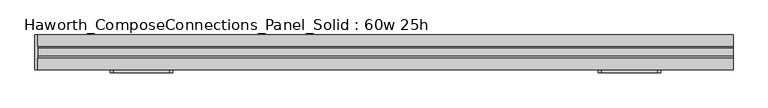
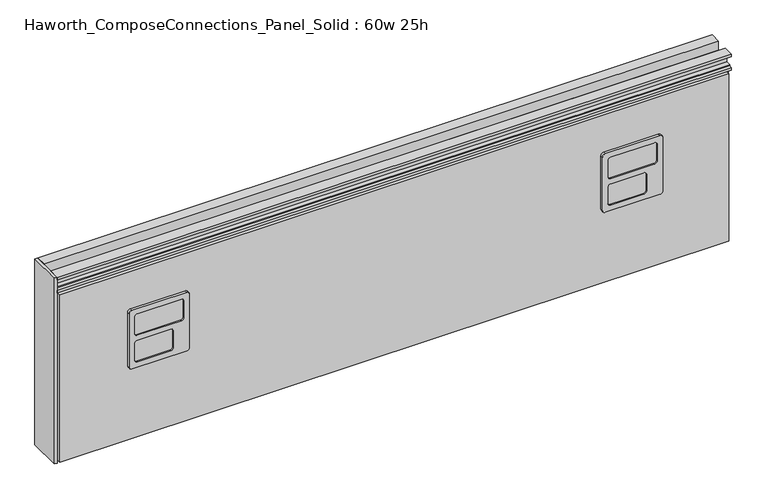
"""IFC4 building model written with IfcOpenShell, lengths in millimetres: furniture geometry, Haworth_ComposeConnections_Panel_Solid : 60w 25h."""

from ifc_helpers import new_model, si_unit, frame, origin, place, context, project, spatial, polyline, circle_curve, outline, extrude, source, transform, mapped, element, save
from ifc_brep_helpers import plane_surface, cylinder_surface, revolved_surface, advanced_brep


def haworth_composeconnections_panel_solid_60w_25h_285009e4(model_context):
    return source(origin(), model_context, "Body", "SolidModel", [
        advanced_brep(
        [(-594.4597098, -38.1, 546.1), (-470.6347098, -38.1, 546.1), (-464.2847098, -38.1, 539.75), (-464.2847098, -38.1, 412.75), (-470.6347098, -38.1, 406.4), (-594.4597098, -38.1, 406.4), (-600.8097098, -38.1, 412.75), (-600.8097098, -38.1, 539.75), (-594.4597098, -44.45, 546.1), (-600.8097098, -44.45, 539.75), (-600.8097098, -44.45, 412.75), (-594.4597098, -44.45, 406.4), (-470.6347098, -44.45, 406.4), (-464.2847098, -44.45, 412.75), (-464.2847098, -44.45, 539.75), (-470.6347098, -44.45, 546.1), (-581.7597098, -44.45, 533.4), (-483.3347098, -44.45, 533.4), (-476.9847098, -44.45, 527.05), (-476.9847098, -44.45, 488.95), (-483.3347098, -44.45, 482.6), (-581.7597098, -44.45, 482.6), (-588.1097098, -44.45, 488.95), (-588.1097098, -44.45, 527.05), (-581.7597098, -44.45, 469.9), (-507.1472098, -44.45, 469.9), (-500.7972098, -44.45, 463.55), (-500.7972098, -44.45, 425.45), (-507.1472098, -44.45, 419.1), (-581.7597098, -44.45, 419.1), (-588.1097098, -44.45, 425.45), (-588.1097098, -44.45, 463.55), (-581.7597098, -41.275, 533.4), (-588.1097098, -41.275, 527.05), (-588.1097098, -41.275, 488.95), (-581.7597098, -41.275, 482.6), (-483.3347098, -41.275, 482.6), (-476.9847098, -41.275, 488.95), (-476.9847098, -41.275, 527.05), (-483.3347098, -41.275, 533.4), (-581.7597098, -41.275, 469.9), (-588.1097098, -41.275, 463.55), (-588.1097098, -41.275, 425.45), (-581.7597098, -41.275, 419.1), (-507.1472098, -41.275, 419.1), (-500.7972098, -41.275, 425.45), (-500.7972098, -41.275, 463.55), (-507.1472098, -41.275, 469.9)],
        [
            (0, 1),
            (1, 2, circle_curve(frame((-470.6347098, -38.1, 539.75), z_axis=(0.0, 1.0, 0.0), x_axis=(1.0, 0.0, 0.0)), 6.35)),
            (2, 3),
            (3, 4, circle_curve(frame((-470.6347098, -38.1, 412.75), z_axis=(0.0, 1.0, 0.0), x_axis=(1.0, 0.0, 0.0)), 6.35)),
            (4, 5),
            (5, 6, circle_curve(frame((-594.4597098, -38.1, 412.75), z_axis=(0.0, 1.0, 0.0), x_axis=(1.0, 0.0, 0.0)), 6.35)),
            (6, 7),
            (7, 0, circle_curve(frame((-594.4597098, -38.1, 539.75), z_axis=(0.0, 1.0, 0.0), x_axis=(1.0, 0.0, 0.0)), 6.35)),
            (8, 9, circle_curve(frame((-594.4597098, -44.45, 539.75), z_axis=(0.0, -1.0, 0.0), x_axis=(1.0, 0.0, 0.0)), 6.35)),
            (9, 10),
            (10, 11, circle_curve(frame((-594.4597098, -44.45, 412.75), z_axis=(0.0, -1.0, 0.0), x_axis=(1.0, 0.0, 0.0)), 6.35)),
            (11, 12),
            (12, 13, circle_curve(frame((-470.6347098, -44.45, 412.75), z_axis=(0.0, -1.0, 0.0), x_axis=(1.0, 0.0, 0.0)), 6.35)),
            (13, 14),
            (14, 15, circle_curve(frame((-470.6347098, -44.45, 539.75), z_axis=(0.0, -1.0, 0.0), x_axis=(1.0, 0.0, 0.0)), 6.35)),
            (15, 8),
            (16, 17),
            (17, 18, circle_curve(frame((-483.3347098, -44.45, 527.05), z_axis=(0.0, 1.0, 0.0), x_axis=(1.0, 0.0, 0.0)), 6.35)),
            (18, 19),
            (19, 20, circle_curve(frame((-483.3347098, -44.45, 488.95), z_axis=(0.0, 1.0, 0.0), x_axis=(1.0, 0.0, 0.0)), 6.35)),
            (20, 21),
            (21, 22, circle_curve(frame((-581.7597098, -44.45, 488.95), z_axis=(0.0, 1.0, 0.0), x_axis=(1.0, 0.0, 0.0)), 6.35)),
            (22, 23),
            (23, 16, circle_curve(frame((-581.7597098, -44.45, 527.05), z_axis=(0.0, 1.0, 0.0), x_axis=(1.0, 0.0, 0.0)), 6.35)),
            (24, 25),
            (25, 26, circle_curve(frame((-507.1472098, -44.45, 463.55), z_axis=(0.0, 1.0, 0.0), x_axis=(1.0, 0.0, 0.0)), 6.35)),
            (26, 27),
            (27, 28, circle_curve(frame((-507.1472098, -44.45, 425.45), z_axis=(0.0, 1.0, 0.0), x_axis=(1.0, 0.0, 0.0)), 6.35)),
            (28, 29),
            (29, 30, circle_curve(frame((-581.7597098, -44.45, 425.45), z_axis=(0.0, 1.0, 0.0), x_axis=(1.0, 0.0, 0.0)), 6.35)),
            (30, 31),
            (31, 24, circle_curve(frame((-581.7597098, -44.45, 463.55), z_axis=(0.0, 1.0, 0.0), x_axis=(1.0, 0.0, 0.0)), 6.35)),
            (7, 9),
            (8, 0),
            (6, 10),
            (5, 11),
            (4, 12),
            (3, 13),
            (2, 14),
            (1, 15),
            (32, 33, circle_curve(frame((-581.7597098, -41.275, 527.05), z_axis=(0.0, -1.0, 0.0), x_axis=(1.0, 0.0, 0.0)), 6.35)),
            (33, 34),
            (34, 35, circle_curve(frame((-581.7597098, -41.275, 488.95), z_axis=(0.0, -1.0, 0.0), x_axis=(1.0, 0.0, 0.0)), 6.35)),
            (35, 36),
            (36, 37, circle_curve(frame((-483.3347098, -41.275, 488.95), z_axis=(0.0, -1.0, 0.0), x_axis=(1.0, 0.0, 0.0)), 6.35)),
            (37, 38),
            (38, 39, circle_curve(frame((-483.3347098, -41.275, 527.05), z_axis=(0.0, -1.0, 0.0), x_axis=(1.0, 0.0, 0.0)), 6.35)),
            (39, 32),
            (40, 41, circle_curve(frame((-581.7597098, -41.275, 463.55), z_axis=(0.0, -1.0, 0.0), x_axis=(1.0, 0.0, 0.0)), 6.35)),
            (41, 42),
            (42, 43, circle_curve(frame((-581.7597098, -41.275, 425.45), z_axis=(0.0, -1.0, 0.0), x_axis=(1.0, 0.0, 0.0)), 6.35)),
            (43, 44),
            (44, 45, circle_curve(frame((-507.1472098, -41.275, 425.45), z_axis=(0.0, -1.0, 0.0), x_axis=(1.0, 0.0, 0.0)), 6.35)),
            (45, 46),
            (46, 47, circle_curve(frame((-507.1472098, -41.275, 463.55), z_axis=(0.0, -1.0, 0.0), x_axis=(1.0, 0.0, 0.0)), 6.35)),
            (47, 40),
            (32, 16),
            (23, 33),
            (22, 34),
            (21, 35),
            (20, 36),
            (19, 37),
            (18, 38),
            (17, 39),
            (40, 24),
            (31, 41),
            (30, 42),
            (29, 43),
            (28, 44),
            (27, 45),
            (26, 46),
            (25, 47),
        ],
        [
            plane_surface(frame((-588.1097098, -38.1, 539.75), z_axis=(0.0, 1.0, 0.0), x_axis=(0.0, 0.0, 1.0))),
            plane_surface(frame((-588.1097098, -44.45, 539.75), z_axis=(0.0, -1.0, 0.0), x_axis=(0.0, 0.0, -1.0))),
            cylinder_surface(frame((-594.4597098, -44.45, 539.75), z_axis=(0.0, 1.0, 0.0), x_axis=(1.0, 0.0, 0.0)), 6.35),
            plane_surface(frame((-600.8097098, -38.1, 539.75), z_axis=(-1.0, 0.0, 0.0), x_axis=(0.0, -1.0, 0.0))),
            cylinder_surface(frame((-594.4597098, -44.45, 412.75), z_axis=(0.0, 1.0, 0.0), x_axis=(1.0, 0.0, 0.0)), 6.35),
            plane_surface(frame((-594.4597098, -38.1, 406.4), z_axis=(0.0, 0.0, -1.0), x_axis=(0.0, -1.0, 0.0))),
            cylinder_surface(frame((-470.6347098, -44.45, 412.75), z_axis=(0.0, 1.0, 0.0), x_axis=(1.0, 0.0, 0.0)), 6.35),
            plane_surface(frame((-464.2847098, -38.1, 412.75), z_axis=(1.0, 0.0, 0.0), x_axis=(0.0, -1.0, 0.0))),
            cylinder_surface(frame((-470.6347098, -44.45, 539.75), z_axis=(0.0, 1.0, 0.0), x_axis=(1.0, 0.0, 0.0)), 6.35),
            plane_surface(frame((-470.6347098, -38.1, 546.1), z_axis=(0.0, 0.0, 1.0), x_axis=(0.0, -1.0, 0.0))),
            plane_surface(frame((-575.4097098, -41.275, 527.05), z_axis=(0.0, -1.0, 0.0), x_axis=(0.0, 0.0, 1.0))),
            revolved_surface(polyline([(-575.4097098, -41.275, 527.05), (-575.4097098, -44.45, 527.05)]), (-581.7597098, -44.45, 527.05), (0.0, 1.0, 0.0)),
            plane_surface(frame((-588.1097098, -41.275, 527.05), z_axis=(1.0, 0.0, 0.0), x_axis=(0.0, -1.0, 0.0))),
            revolved_surface(polyline([(-575.4097098, -41.275, 488.95), (-575.4097098, -44.45, 488.95)]), (-581.7597098, -44.45, 488.95), (0.0, 1.0, 0.0)),
            plane_surface(frame((-581.7597098, -41.275, 482.6), z_axis=(0.0, 0.0, 1.0), x_axis=(0.0, -1.0, 0.0))),
            revolved_surface(polyline([(-476.98470979999996, -41.275, 488.95), (-476.98470979999996, -44.45, 488.95)]), (-483.3347098, -44.45, 488.95), (0.0, 1.0, 0.0)),
            plane_surface(frame((-476.9847098, -41.275, 488.95), z_axis=(-1.0, 0.0, 0.0), x_axis=(0.0, -1.0, 0.0))),
            revolved_surface(polyline([(-476.98470979999996, -41.275, 527.05), (-476.98470979999996, -44.45, 527.05)]), (-483.3347098, -44.45, 527.05), (0.0, 1.0, 0.0)),
            plane_surface(frame((-483.3347098, -41.275, 533.4), z_axis=(0.0, 0.0, -1.0), x_axis=(0.0, -1.0, 0.0))),
            revolved_surface(polyline([(-575.4097098, -41.275, 463.55), (-575.4097098, -44.45, 463.55)]), (-581.7597098, -44.45, 463.55), (0.0, 1.0, 0.0)),
            plane_surface(frame((-588.1097098, -41.275, 463.55), z_axis=(1.0, 0.0, 0.0), x_axis=(0.0, -1.0, 0.0))),
            revolved_surface(polyline([(-575.4097098, -41.275, 425.45), (-575.4097098, -44.45, 425.45)]), (-581.7597098, -44.45, 425.45), (0.0, 1.0, 0.0)),
            plane_surface(frame((-581.7597098, -41.275, 419.1), z_axis=(0.0, 0.0, 1.0), x_axis=(0.0, -1.0, 0.0))),
            revolved_surface(polyline([(-500.79720979999996, -41.275, 425.45), (-500.79720979999996, -44.45, 425.45)]), (-507.1472098, -44.45, 425.45), (0.0, 1.0, 0.0)),
            plane_surface(frame((-500.7972098, -41.275, 425.45), z_axis=(-1.0, 0.0, 0.0), x_axis=(0.0, -1.0, 0.0))),
            revolved_surface(polyline([(-500.79720979999996, -41.275, 463.55), (-500.79720979999996, -44.45, 463.55)]), (-507.1472098, -44.45, 463.55), (0.0, 1.0, 0.0)),
            plane_surface(frame((-507.1472098, -41.275, 469.9), z_axis=(0.0, 0.0, -1.0), x_axis=(0.0, -1.0, 0.0))),
        ],
        [
            (0, [[1, 2, 3, 4, 5, 6, 7, 8]]),
            (1, [[9, 10, 11, 12, 13, 14, 15, 16], [17, 18, 19, 20, 21, 22, 23, 24], [25, 26, 27, 28, 29, 30, 31, 32]]),
            (2, [[33, -9, 34, -8]]),
            (3, [[35, -10, -33, -7]]),
            (4, [[36, -11, -35, -6]]),
            (5, [[37, -12, -36, -5]]),
            (6, [[38, -13, -37, -4]]),
            (7, [[39, -14, -38, -3]]),
            (8, [[40, -15, -39, -2]]),
            (9, [[-34, -16, -40, -1]]),
            (10, [[41, 42, 43, 44, 45, 46, 47, 48]]),
            (10, [[49, 50, 51, 52, 53, 54, 55, 56]]),
            (11, [[57, -24, 58, -41]]),
            (12, [[-58, -23, 59, -42]]),
            (13, [[-59, -22, 60, -43]]),
            (14, [[-60, -21, 61, -44]]),
            (15, [[-61, -20, 62, -45]]),
            (16, [[-62, -19, 63, -46]]),
            (17, [[-63, -18, 64, -47]]),
            (18, [[-64, -17, -57, -48]]),
            (19, [[65, -32, 66, -49]]),
            (20, [[-66, -31, 67, -50]]),
            (21, [[-67, -30, 68, -51]]),
            (22, [[-68, -29, 69, -52]]),
            (23, [[-69, -28, 70, -53]]),
            (24, [[-70, -27, 71, -54]]),
            (25, [[-71, -26, 72, -55]]),
            (26, [[-72, -25, -65, -56]]),
        ],
    ),
        advanced_brep(
        [(475.5152902, -38.1, 546.1), (599.3402902, -38.1, 546.1), (605.6902902, -38.1, 539.75), (605.6902902, -38.1, 412.75), (599.3402902, -38.1, 406.4), (475.5152902, -38.1, 406.4), (469.1652902, -38.1, 412.75), (469.1652902, -38.1, 539.75), (475.5152902, -44.45, 546.1), (469.1652902, -44.45, 539.75), (469.1652902, -44.45, 412.75), (475.5152902, -44.45, 406.4), (599.3402902, -44.45, 406.4), (605.6902902, -44.45, 412.75), (605.6902902, -44.45, 539.75), (599.3402902, -44.45, 546.1), (488.2152902, -44.45, 533.4), (586.6402902, -44.45, 533.4), (592.9902902, -44.45, 527.05), (592.9902902, -44.45, 488.95), (586.6402902, -44.45, 482.6), (488.2152902, -44.45, 482.6), (481.8652902, -44.45, 488.95), (481.8652902, -44.45, 527.05), (488.2152902, -44.45, 469.9), (562.8277902, -44.45, 469.9), (569.1777902, -44.45, 463.55), (569.1777902, -44.45, 425.45), (562.8277902, -44.45, 419.1), (488.2152902, -44.45, 419.1), (481.8652902, -44.45, 425.45), (481.8652902, -44.45, 463.55), (488.2152902, -41.275, 533.4), (481.8652902, -41.275, 527.05), (481.8652902, -41.275, 488.95), (488.2152902, -41.275, 482.6), (586.6402902, -41.275, 482.6), (592.9902902, -41.275, 488.95), (592.9902902, -41.275, 527.05), (586.6402902, -41.275, 533.4), (488.2152902, -41.275, 469.9), (481.8652902, -41.275, 463.55), (481.8652902, -41.275, 425.45), (488.2152902, -41.275, 419.1), (562.8277902, -41.275, 419.1), (569.1777902, -41.275, 425.45), (569.1777902, -41.275, 463.55), (562.8277902, -41.275, 469.9)],
        [
            (0, 1),
            (1, 2, circle_curve(frame((599.3402902, -38.1, 539.75), z_axis=(0.0, 1.0, 0.0), x_axis=(1.0, 0.0, 0.0)), 6.35)),
            (2, 3),
            (3, 4, circle_curve(frame((599.3402902, -38.1, 412.75), z_axis=(0.0, 1.0, 0.0), x_axis=(1.0, 0.0, 0.0)), 6.35)),
            (4, 5),
            (5, 6, circle_curve(frame((475.5152902, -38.1, 412.75), z_axis=(0.0, 1.0, 0.0), x_axis=(1.0, 0.0, 0.0)), 6.35)),
            (6, 7),
            (7, 0, circle_curve(frame((475.5152902, -38.1, 539.75), z_axis=(0.0, 1.0, 0.0), x_axis=(1.0, 0.0, 0.0)), 6.35)),
            (8, 9, circle_curve(frame((475.5152902, -44.45, 539.75), z_axis=(0.0, -1.0, 0.0), x_axis=(1.0, 0.0, 0.0)), 6.35)),
            (9, 10),
            (10, 11, circle_curve(frame((475.5152902, -44.45, 412.75), z_axis=(0.0, -1.0, 0.0), x_axis=(1.0, 0.0, 0.0)), 6.35)),
            (11, 12),
            (12, 13, circle_curve(frame((599.3402902, -44.45, 412.75), z_axis=(0.0, -1.0, 0.0), x_axis=(1.0, 0.0, 0.0)), 6.35)),
            (13, 14),
            (14, 15, circle_curve(frame((599.3402902, -44.45, 539.75), z_axis=(0.0, -1.0, 0.0), x_axis=(1.0, 0.0, 0.0)), 6.35)),
            (15, 8),
            (16, 17),
            (17, 18, circle_curve(frame((586.6402902, -44.45, 527.05), z_axis=(0.0, 1.0, 0.0), x_axis=(1.0, 0.0, 0.0)), 6.35)),
            (18, 19),
            (19, 20, circle_curve(frame((586.6402902, -44.45, 488.95), z_axis=(0.0, 1.0, 0.0), x_axis=(1.0, 0.0, 0.0)), 6.35)),
            (20, 21),
            (21, 22, circle_curve(frame((488.2152902, -44.45, 488.95), z_axis=(0.0, 1.0, 0.0), x_axis=(1.0, 0.0, 0.0)), 6.35)),
            (22, 23),
            (23, 16, circle_curve(frame((488.2152902, -44.45, 527.05), z_axis=(0.0, 1.0, 0.0), x_axis=(1.0, 0.0, 0.0)), 6.35)),
            (24, 25),
            (25, 26, circle_curve(frame((562.8277902, -44.45, 463.55), z_axis=(0.0, 1.0, 0.0), x_axis=(1.0, 0.0, 0.0)), 6.35)),
            (26, 27),
            (27, 28, circle_curve(frame((562.8277902, -44.45, 425.45), z_axis=(0.0, 1.0, 0.0), x_axis=(1.0, 0.0, 0.0)), 6.35)),
            (28, 29),
            (29, 30, circle_curve(frame((488.2152902, -44.45, 425.45), z_axis=(0.0, 1.0, 0.0), x_axis=(1.0, 0.0, 0.0)), 6.35)),
            (30, 31),
            (31, 24, circle_curve(frame((488.2152902, -44.45, 463.55), z_axis=(0.0, 1.0, 0.0), x_axis=(1.0, 0.0, 0.0)), 6.35)),
            (7, 9),
            (8, 0),
            (6, 10),
            (5, 11),
            (4, 12),
            (3, 13),
            (2, 14),
            (1, 15),
            (32, 33, circle_curve(frame((488.2152902, -41.275, 527.05), z_axis=(0.0, -1.0, 0.0), x_axis=(1.0, 0.0, 0.0)), 6.35)),
            (33, 34),
            (34, 35, circle_curve(frame((488.2152902, -41.275, 488.95), z_axis=(0.0, -1.0, 0.0), x_axis=(1.0, 0.0, 0.0)), 6.35)),
            (35, 36),
            (36, 37, circle_curve(frame((586.6402902, -41.275, 488.95), z_axis=(0.0, -1.0, 0.0), x_axis=(1.0, 0.0, 0.0)), 6.35)),
            (37, 38),
            (38, 39, circle_curve(frame((586.6402902, -41.275, 527.05), z_axis=(0.0, -1.0, 0.0), x_axis=(1.0, 0.0, 0.0)), 6.35)),
            (39, 32),
            (40, 41, circle_curve(frame((488.2152902, -41.275, 463.55), z_axis=(0.0, -1.0, 0.0), x_axis=(1.0, 0.0, 0.0)), 6.35)),
            (41, 42),
            (42, 43, circle_curve(frame((488.2152902, -41.275, 425.45), z_axis=(0.0, -1.0, 0.0), x_axis=(1.0, 0.0, 0.0)), 6.35)),
            (43, 44),
            (44, 45, circle_curve(frame((562.8277902, -41.275, 425.45), z_axis=(0.0, -1.0, 0.0), x_axis=(1.0, 0.0, 0.0)), 6.35)),
            (45, 46),
            (46, 47, circle_curve(frame((562.8277902, -41.275, 463.55), z_axis=(0.0, -1.0, 0.0), x_axis=(1.0, 0.0, 0.0)), 6.35)),
            (47, 40),
            (32, 16),
            (23, 33),
            (22, 34),
            (21, 35),
            (20, 36),
            (19, 37),
            (18, 38),
            (17, 39),
            (40, 24),
            (31, 41),
            (30, 42),
            (29, 43),
            (28, 44),
            (27, 45),
            (26, 46),
            (25, 47),
        ],
        [
            plane_surface(frame((481.8652902, -38.1, 539.75), z_axis=(0.0, 1.0, 0.0), x_axis=(0.0, 0.0, 1.0))),
            plane_surface(frame((481.8652902, -44.45, 539.75), z_axis=(0.0, -1.0, 0.0), x_axis=(0.0, 0.0, -1.0))),
            cylinder_surface(frame((475.5152902, -44.45, 539.75), z_axis=(0.0, 1.0, 0.0), x_axis=(1.0, 0.0, 0.0)), 6.35),
            plane_surface(frame((469.1652902, -38.1, 539.75), z_axis=(-1.0, 0.0, 0.0), x_axis=(0.0, -1.0, 0.0))),
            cylinder_surface(frame((475.5152902, -44.45, 412.75), z_axis=(0.0, 1.0, 0.0), x_axis=(1.0, 0.0, 0.0)), 6.35),
            plane_surface(frame((475.5152902, -38.1, 406.4), z_axis=(0.0, 0.0, -1.0), x_axis=(0.0, -1.0, 0.0))),
            cylinder_surface(frame((599.3402902, -44.45, 412.75), z_axis=(0.0, 1.0, 0.0), x_axis=(1.0, 0.0, 0.0)), 6.35),
            plane_surface(frame((605.6902902, -38.1, 412.75), z_axis=(1.0, 0.0, 0.0), x_axis=(0.0, -1.0, 0.0))),
            cylinder_surface(frame((599.3402902, -44.45, 539.75), z_axis=(0.0, 1.0, 0.0), x_axis=(1.0, 0.0, 0.0)), 6.35),
            plane_surface(frame((599.3402902, -38.1, 546.1), z_axis=(0.0, 0.0, 1.0), x_axis=(0.0, -1.0, 0.0))),
            plane_surface(frame((494.5652902, -41.275, 527.05), z_axis=(0.0, -1.0, 0.0), x_axis=(0.0, 0.0, 1.0))),
            revolved_surface(polyline([(494.56529020000005, -41.275, 527.05), (494.56529020000005, -44.45, 527.05)]), (488.2152902, -44.45, 527.05), (0.0, 1.0, 0.0)),
            plane_surface(frame((481.8652902, -41.275, 527.05), z_axis=(1.0, 0.0, 0.0), x_axis=(0.0, -1.0, 0.0))),
            revolved_surface(polyline([(494.56529020000005, -41.275, 488.95), (494.56529020000005, -44.45, 488.95)]), (488.2152902, -44.45, 488.95), (0.0, 1.0, 0.0)),
            plane_surface(frame((488.2152902, -41.275, 482.6), z_axis=(0.0, 0.0, 1.0), x_axis=(0.0, -1.0, 0.0))),
            revolved_surface(polyline([(592.9902902, -41.275, 488.95), (592.9902902, -44.45, 488.95)]), (586.6402902, -44.45, 488.95), (0.0, 1.0, 0.0)),
            plane_surface(frame((592.9902902, -41.275, 488.95), z_axis=(-1.0, 0.0, 0.0), x_axis=(0.0, -1.0, 0.0))),
            revolved_surface(polyline([(592.9902902, -41.275, 527.05), (592.9902902, -44.45, 527.05)]), (586.6402902, -44.45, 527.05), (0.0, 1.0, 0.0)),
            plane_surface(frame((586.6402902, -41.275, 533.4), z_axis=(0.0, 0.0, -1.0), x_axis=(0.0, -1.0, 0.0))),
            revolved_surface(polyline([(494.56529020000005, -41.275, 463.55), (494.56529020000005, -44.45, 463.55)]), (488.2152902, -44.45, 463.55), (0.0, 1.0, 0.0)),
            plane_surface(frame((481.8652902, -41.275, 463.55), z_axis=(1.0, 0.0, 0.0), x_axis=(0.0, -1.0, 0.0))),
            revolved_surface(polyline([(494.56529020000005, -41.275, 425.45), (494.56529020000005, -44.45, 425.45)]), (488.2152902, -44.45, 425.45), (0.0, 1.0, 0.0)),
            plane_surface(frame((488.2152902, -41.275, 419.1), z_axis=(0.0, 0.0, 1.0), x_axis=(0.0, -1.0, 0.0))),
            revolved_surface(polyline([(569.1777902, -41.275, 425.45), (569.1777902, -44.45, 425.45)]), (562.8277902, -44.45, 425.45), (0.0, 1.0, 0.0)),
            plane_surface(frame((569.1777902, -41.275, 425.45), z_axis=(-1.0, 0.0, 0.0), x_axis=(0.0, -1.0, 0.0))),
            revolved_surface(polyline([(569.1777902, -41.275, 463.55), (569.1777902, -44.45, 463.55)]), (562.8277902, -44.45, 463.55), (0.0, 1.0, 0.0)),
            plane_surface(frame((562.8277902, -41.275, 469.9), z_axis=(0.0, 0.0, -1.0), x_axis=(0.0, -1.0, 0.0))),
        ],
        [
            (0, [[1, 2, 3, 4, 5, 6, 7, 8]]),
            (1, [[9, 10, 11, 12, 13, 14, 15, 16], [17, 18, 19, 20, 21, 22, 23, 24], [25, 26, 27, 28, 29, 30, 31, 32]]),
            (2, [[33, -9, 34, -8]]),
            (3, [[35, -10, -33, -7]]),
            (4, [[36, -11, -35, -6]]),
            (5, [[37, -12, -36, -5]]),
            (6, [[38, -13, -37, -4]]),
            (7, [[39, -14, -38, -3]]),
            (8, [[40, -15, -39, -2]]),
            (9, [[-34, -16, -40, -1]]),
            (10, [[41, 42, 43, 44, 45, 46, 47, 48]]),
            (10, [[49, 50, 51, 52, 53, 54, 55, 56]]),
            (11, [[57, -24, 58, -41]]),
            (12, [[-58, -23, 59, -42]]),
            (13, [[-59, -22, 60, -43]]),
            (14, [[-60, -21, 61, -44]]),
            (15, [[-61, -20, 62, -45]]),
            (16, [[-62, -19, 63, -46]]),
            (17, [[-63, -18, 64, -47]]),
            (18, [[-64, -17, -57, -48]]),
            (19, [[65, -32, 66, -49]]),
            (20, [[-66, -31, 67, -50]]),
            (21, [[-67, -30, 68, -51]]),
            (22, [[-68, -29, 69, -52]]),
            (23, [[-69, -28, 70, -53]]),
            (24, [[-70, -27, 71, -54]]),
            (25, [[-71, -26, 72, -55]]),
            (26, [[-72, -25, -65, -56]]),
        ],
    ),
        extrude(outline(polyline([(38.1, 673.1), (30.6197, 673.1), (30.6197, 670.8139719), (19.6976996, 670.8139719), (19.6976996, 649.9860281), (30.6197, 649.9860281), (30.6197, 647.7), (38.0999989, 647.7), (38.0999989, 641.35), (-38.1000011, 641.35), (-38.1000011, 647.7), (-30.6197023, 647.7), (-30.6197023, 649.9860281), (-19.6977019, 649.9860281), (-19.6977019, 670.8139719), (-30.6197023, 670.8139719), (-30.6197023, 673.1), (-38.1000023, 673.1), (-38.1000023, 679.45), (-13.5001026, 679.45), (-13.5001026, 657.6828071), (-8.7648498, 647.7), (8.7648475, 647.7), (13.5001003, 657.6828071), (13.5001003, 679.45), (38.1, 679.45), (38.1, 673.1)])), frame((-759.5597098, 0.0, 0.0), z_axis=(1.0, 0.0, 0.0), x_axis=(0.0, 1.0, 0.0)), (0.0, 0.0, 1.0), 1524.0),
        extrude(outline(polyline([(-759.5597098, -38.1), (-765.9097098, -38.1), (-765.9097098, 38.1), (-759.5597098, 38.1), (-759.5597098, -38.1)])), frame((0.0, 0.0, 234.95), z_axis=(0.0, 0.0, 1.0), x_axis=(1.0, 0.0, 0.0)), (0.0, 0.0, 1.0), 444.5),
        extrude(outline(polyline([(764.4402902, 25.4), (764.4402902, -25.4), (-759.5597098, -25.4), (-759.5597098, 25.4), (764.4402902, 25.4)])), frame((0.0, 0.0, 234.95), z_axis=(0.0, 0.0, 1.0), x_axis=(1.0, 0.0, 0.0)), (0.0, 0.0, 1.0), 406.4),
        extrude(outline(polyline([(-753.2097098, 25.4), (-753.2097098, 38.1), (758.0902902, 38.1), (758.0902902, 25.4), (-753.2097098, 25.4)])), frame((0.0, 0.0, 234.95), z_axis=(0.0, 0.0, 1.0), x_axis=(1.0, 0.0, 0.0)), (0.0, 0.0, 1.0), 400.05),
        extrude(outline(polyline([(-753.2097098, -38.1), (-753.2097098, -25.4), (758.0902902, -25.4), (758.0902902, -38.1), (-753.2097098, -38.1)])), frame((0.0, 0.0, 234.95), z_axis=(0.0, 0.0, 1.0), x_axis=(1.0, 0.0, 0.0)), (0.0, 0.0, 1.0), 400.05),
    ])


if __name__ == "__main__":
    model = new_model("IFC4")
    model_context = context("Model", 3, world=origin())
    ifc_project = project(units=[si_unit("LENGTHUNIT", "METRE", prefix="MILLI")], contexts=[model_context])
    site = spatial("IfcSite", under=ifc_project)
    building = spatial("IfcBuilding", under=site)
    placement = place(None, origin())
    haworth_composeconnections_panel_solid_60w_25h_shape = haworth_composeconnections_panel_solid_60w_25h_285009e4(model_context)
    element("IfcFurniture", 1, ObjectType="Haworth_ComposeConnections_Panel_Solid : 60w 25h", at=placement, inside=building, context=model_context, shape_type="MappedRepresentation", body=[
        mapped(haworth_composeconnections_panel_solid_60w_25h_shape, transform((0.0, 0.0, 0.0), x_axis=(1.0, 0.0, 0.0), y_axis=(0.0, 1.0, 0.0), z_axis=(0.0, 0.0, 1.0))),
    ])
    save(model, "model.ifc")
